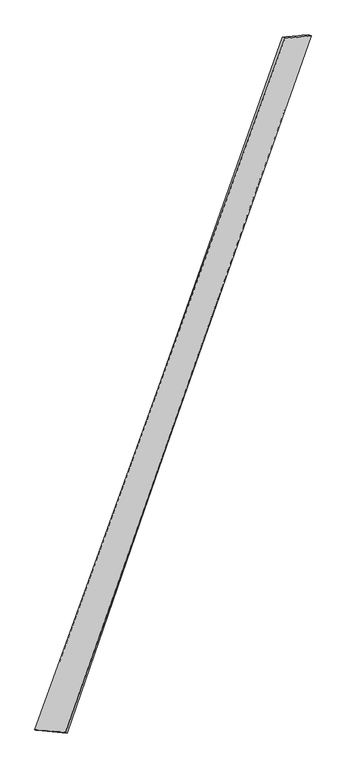
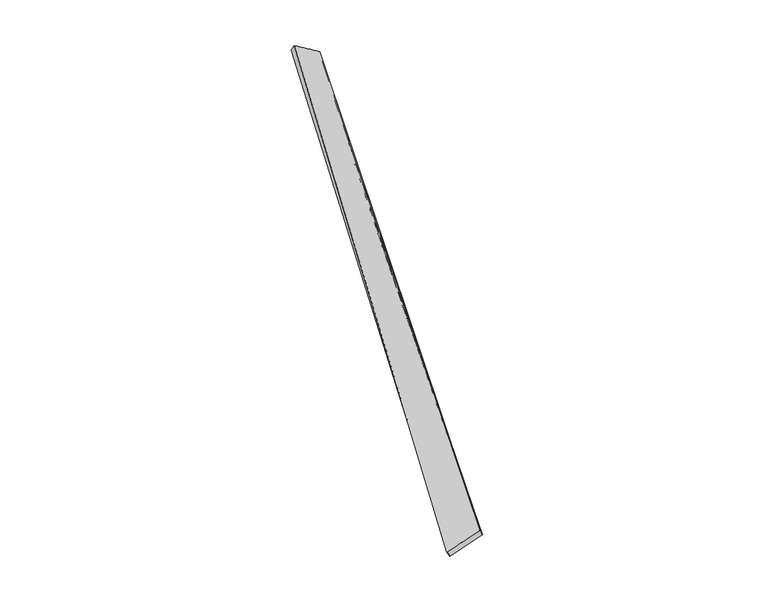
"""IFC4 building model written with IfcOpenShell, lengths in millimetres: proxy geometry."""

from ifc_helpers import new_model, si_unit, frame, origin, place, context, project, spatial, source, transform, mapped, element, save
from ifc_brep_helpers import plane_surface, spline_surface, advanced_brep


def generic_models_d4197e79(model_context):
    return source(origin(), model_context, "Body", "AdvancedBrep", [
        advanced_brep(
        [(-718.1893922, -1819.4131269, -38.0682867), (-731.6756063, -1815.1980631, -11.6040605), (721.2761156, 2194.4362569, 73.2339455), (706.53285, 2200.2059446, 47.751661), (-552.7267937, -1830.6967976, 65.9553553), (872.4629432, 2208.2050559, -23.7899022), (-543.2230955, -1834.5722819, 37.7656348), (854.8796377, 2213.7794641, -47.4490092)],
        [
            (0, 1),
            (1, 2),
            (2, 3),
            (3, 0),
            (1, 4),
            (4, 5),
            (5, 2),
            (4, 6),
            (6, 7),
            (7, 5),
            (6, 0),
            (3, 7),
        ],
        [
            spline_surface(1, 1, [[(-718.1893922, -1819.4131269, -38.0682867), (706.53285, 2200.2059446, 47.751661)], [(-731.6756063, -1815.1980631, -11.6040605), (721.2761156, 2194.4362569, 73.2339455)]], [2, 2], [2, 2], [0.0, 1.0], [0.0, 1.0]),
            spline_surface(1, 1, [[(-731.6756063, -1815.1980631, -11.6040605), (721.2761156, 2194.4362569, 73.2339455)], [(-552.7267937, -1830.6967976, 65.9553553), (872.4629432, 2208.2050559, -23.7899022)]], [2, 2], [2, 2], [0.0, 1.0], [0.0, 1.0]),
            spline_surface(1, 1, [[(-552.7267937, -1830.6967976, 65.9553553), (872.4629432, 2208.2050559, -23.7899022)], [(-543.2230955, -1834.5722819, 37.7656348), (854.8796377, 2213.7794641, -47.4490092)]], [2, 2], [2, 2], [0.0, 1.0], [0.0, 1.0]),
            spline_surface(1, 1, [[(-543.2230955, -1834.5722819, 37.7656348), (854.8796377, 2213.7794641, -47.4490092)], [(-718.1893922, -1819.4131269, -38.0682867), (706.53285, 2200.2059446, 47.751661)]], [2, 2], [2, 2], [0.0, 1.0], [0.0, 1.0]),
            spline_surface(1, 1, [[(721.2761156, 2194.4362569, 73.2339455), (706.53285, 2200.2059446, 47.751661)], [(872.4629432, 2208.2050559, -23.7899022), (854.8796377, 2213.7794641, -47.4490092)]], [2, 2], [2, 2], [0.0, 1.0], [0.0, 1.0]),
            plane_surface(frame((-636.4537219, -1824.9700674, 13.5121607), z_axis=(-0.12600594899104292, -0.9876325569931239, 0.09329755187619185), x_axis=(0.9146410989003386, -0.0792448972675647, 0.3964238974373698))),
        ],
        [
            (0, [[1, 2, 3, 4]]),
            (1, [[5, 6, 7, -2]]),
            (2, [[8, 9, 10, -6]]),
            (3, [[11, -4, 12, -9]]),
            (4, [[-3, -7, -10, -12]]),
            (5, [[-11, -8, -5, -1]]),
        ],
    ),
    ])


if __name__ == "__main__":
    model = new_model("IFC4")
    model_context = context("Model", 3, world=origin())
    ifc_project = project(units=[si_unit("LENGTHUNIT", "METRE", prefix="MILLI")], contexts=[model_context])
    site = spatial("IfcSite", under=ifc_project)
    building = spatial("IfcBuilding", under=site)
    placement = place(None, origin())
    generic_models_shape = generic_models_d4197e79(model_context)
    element("IfcBuildingElementProxy", 1, Name="Generic Models", at=placement, inside=building, context=model_context, shape_type="MappedRepresentation", body=[
        mapped(generic_models_shape, transform((0.0, 0.0, 0.0), x_axis=(1.0, 0.0, 0.0), y_axis=(0.0, 1.0, 0.0), z_axis=(0.0, 0.0, 1.0))),
    ])
    save(model, "model.ifc")
